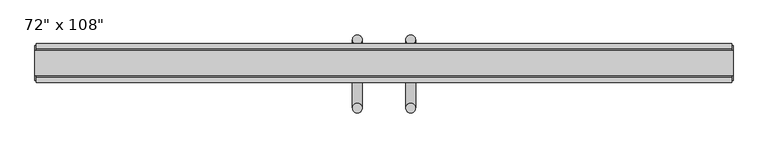
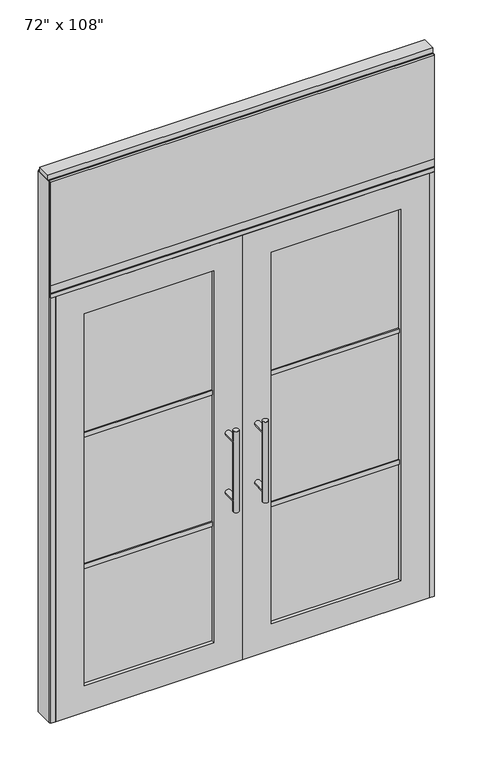
"""IFC4 building model written with IfcOpenShell, lengths in millimetres: furniture geometry."""

from ifc_helpers import new_model, si_unit, frame, origin, origin_with_axes, place, context, project, spatial, polyline, circle_curve, ellipse_curve, outline, extrude, source, transform, mapped, element, save
from ifc_brep_helpers import plane_surface, cylinder_surface, advanced_brep


def furniture_28c0030d(model_context):
    return source(origin(), model_context, "Body", "SolidModel", [
        extrude(outline(polyline([(850.4264771, 46.2822784), (850.4264771, 33.5822784), (-970.4995229, 33.5822784), (-970.4995229, 46.2822784), (850.4264771, 46.2822784)])), frame((0.0, 0.0, 2197.1), z_axis=(0.0, 0.0, 1.0), x_axis=(1.0, 0.0, 0.0)), (0.0, 0.0, 1.0), 520.7),
        extrude(outline(polyline([(850.4264771, -55.3177216), (-970.4995229, -55.3177216), (-970.4995229, -42.6177216), (850.4264771, -42.6177216), (850.4264771, -55.3177216)])), frame((0.0, 0.0, 2197.1), z_axis=(0.0, 0.0, 1.0), x_axis=(1.0, 0.0, 0.0)), (0.0, 0.0, 1.0), 520.7),
        advanced_brep(
        [(-117.3135229, 56.6962784, 1219.2), (-142.7135229, 56.6962784, 1219.2), (-117.3135229, 56.6962784, 812.8), (-142.7135229, 56.6962784, 812.8), (-117.3135229, 56.6962784, 1164.336), (-117.3135229, 56.6962784, 867.664), (-142.7135229, 56.6962784, 867.664), (-142.7135229, 56.6962784, 1164.336), (-117.3135229, -10.8677216, 1164.336), (-142.7135229, -10.8677216, 1164.336), (-117.3135229, -10.8677216, 867.664), (-142.7135229, -10.8677216, 867.664)],
        [
            (0, 1, circle_curve(frame((-130.0135229, 56.6962784, 1219.2), z_axis=(0.0, 0.0, 1.0), x_axis=(-1.0, 0.0, 0.0)), 12.7)),
            (1, 0, circle_curve(frame((-130.0135229, 56.6962784, 1219.2), z_axis=(0.0, 0.0, 1.0), x_axis=(-1.0, 0.0, 0.0)), 12.7)),
            (2, 3, circle_curve(frame((-130.0135229, 56.6962784, 812.8), z_axis=(0.0, 0.0, -1.0), x_axis=(-1.0, 0.0, 0.0)), 12.7)),
            (3, 2, circle_curve(frame((-130.0135229, 56.6962784, 812.8), z_axis=(0.0, 0.0, -1.0), x_axis=(-1.0, 0.0, 0.0)), 12.7)),
            (0, 4),
            (4, 5),
            (5, 2),
            (3, 6),
            (6, 7),
            (7, 1),
            (7, 4, ellipse_curve(frame((-130.0135229, 56.6962784, 1164.336), z_axis=(0.0, 0.707106781186565, 0.70710678118653), x_axis=(0.0, -0.70710678118653, 0.707106781186565)), 17.9605122, 12.7)),
            (5, 6, ellipse_curve(frame((-130.0135229, 56.6962784, 867.664), z_axis=(0.0, 0.70710678118653, -0.7071067811865649), x_axis=(0.0, 0.7071067811865648, 0.7071067811865301)), 17.9605122, 12.7)),
            (4, 7, ellipse_curve(frame((-130.0135229, 56.6962784, 1164.336), z_axis=(0.0, 0.70710678118653, -0.7071067811865649), x_axis=(0.0, 0.7071067811865648, 0.7071067811865301)), 17.9605122, 12.7)),
            (6, 5, ellipse_curve(frame((-130.0135229, 56.6962784, 867.664), z_axis=(0.0, 0.707106781186565, 0.70710678118653), x_axis=(0.0, -0.70710678118653, 0.707106781186565)), 17.9605122, 12.7)),
            (8, 9, circle_curve(frame((-130.0135229, -10.8677216, 1164.336), z_axis=(0.0, -1.0, 0.0), x_axis=(-1.0, 0.0, 0.0)), 12.7)),
            (9, 8, circle_curve(frame((-130.0135229, -10.8677216, 1164.336), z_axis=(0.0, -1.0, 0.0), x_axis=(-1.0, 0.0, 0.0)), 12.7)),
            (9, 7),
            (4, 8),
            (10, 11, circle_curve(frame((-130.0135229, -10.8677216, 867.664), z_axis=(0.0, -1.0, 0.0), x_axis=(-1.0, 0.0, 0.0)), 12.7)),
            (11, 10, circle_curve(frame((-130.0135229, -10.8677216, 867.664), z_axis=(0.0, -1.0, 0.0), x_axis=(-1.0, 0.0, 0.0)), 12.7)),
            (11, 6),
            (5, 10),
        ],
        [
            plane_surface(frame((-142.7135229, 56.6962784, 1219.2), z_axis=(0.0, 0.0, 1.0), x_axis=(0.0, -1.0, 0.0))),
            plane_surface(frame((-142.7135229, 56.6962784, 812.8), z_axis=(0.0, 0.0, -1.0), x_axis=(0.0, 1.0, 0.0))),
            cylinder_surface(frame((-130.0135229, 56.6962784, 812.8), z_axis=(0.0, 0.0, 1.0), x_axis=(-1.0, 0.0, 0.0)), 12.7),
            plane_surface(frame((-142.7135229, -10.8677216, 1164.336), z_axis=(0.0, -1.0, 0.0), x_axis=(0.0, 0.0, -1.0))),
            cylinder_surface(frame((-130.0135229, -10.8677216, 1164.336), z_axis=(0.0, 1.0, 0.0), x_axis=(-1.0, 0.0, 0.0)), 12.7),
            plane_surface(frame((-142.7135229, -10.8677216, 867.664), z_axis=(0.0, -1.0, 0.0), x_axis=(0.0, 0.0, -1.0))),
            cylinder_surface(frame((-130.0135229, -10.8677216, 867.664), z_axis=(0.0, 1.0, 0.0), x_axis=(-1.0, 0.0, 0.0)), 12.7),
        ],
        [
            (0, [[1, 2]]),
            (1, [[3, 4]]),
            (2, [[-1, 5, 6, 7, -4, 8, 9, 10]]),
            (2, [[-2, -10, 11, -5]]),
            (2, [[-3, -7, 12, -8]]),
            (2, [[13, -9, 14, -6]]),
            (3, [[15, 16]]),
            (4, [[-16, 17, -13, 18]]),
            (4, [[-15, -18, -11, -17]]),
            (5, [[19, 20]]),
            (6, [[-20, 21, -12, 22]]),
            (6, [[-19, -22, -14, -21]]),
        ],
    ),
        advanced_brep(
        [(-117.3135229, -122.8817216, 1219.2), (-142.7135229, -122.8817216, 1219.2), (-117.3135229, -122.8817216, 812.8), (-142.7135229, -122.8817216, 812.8), (-142.7135229, -122.8817216, 1164.336), (-142.7135229, -122.8817216, 867.664), (-117.3135229, -122.8817216, 867.664), (-117.3135229, -122.8817216, 1164.336), (-117.3135229, -55.3177216, 1164.336), (-142.7135229, -55.3177216, 1164.336), (-117.3135229, -55.3177216, 867.664), (-142.7135229, -55.3177216, 867.664)],
        [
            (0, 1, circle_curve(frame((-130.0135229, -122.8817216, 1219.2), z_axis=(0.0, 0.0, 1.0), x_axis=(-1.0, 0.0, 0.0)), 12.7)),
            (1, 0, circle_curve(frame((-130.0135229, -122.8817216, 1219.2), z_axis=(0.0, 0.0, 1.0), x_axis=(-1.0, 0.0, 0.0)), 12.7)),
            (2, 3, circle_curve(frame((-130.0135229, -122.8817216, 812.8), z_axis=(0.0, 0.0, -1.0), x_axis=(-1.0, 0.0, 0.0)), 12.7)),
            (3, 2, circle_curve(frame((-130.0135229, -122.8817216, 812.8), z_axis=(0.0, 0.0, -1.0), x_axis=(-1.0, 0.0, 0.0)), 12.7)),
            (1, 4),
            (4, 5),
            (5, 3),
            (2, 6),
            (6, 7),
            (7, 0),
            (6, 5, ellipse_curve(frame((-130.0135229, -122.8817216, 867.664), z_axis=(0.0, -0.707106781186565, 0.70710678118653), x_axis=(0.0, 0.70710678118653, 0.707106781186565)), 17.9605122, 12.7)),
            (4, 7, ellipse_curve(frame((-130.0135229, -122.8817216, 1164.336), z_axis=(0.0, -0.70710678118653, -0.7071067811865649), x_axis=(0.0, -0.7071067811865648, 0.7071067811865301)), 17.9605122, 12.7)),
            (7, 4, ellipse_curve(frame((-130.0135229, -122.8817216, 1164.336), z_axis=(0.0, -0.707106781186565, 0.70710678118653), x_axis=(0.0, 0.70710678118653, 0.707106781186565)), 17.9605122, 12.7)),
            (5, 6, ellipse_curve(frame((-130.0135229, -122.8817216, 867.664), z_axis=(0.0, -0.70710678118653, -0.7071067811865649), x_axis=(0.0, -0.7071067811865648, 0.7071067811865301)), 17.9605122, 12.7)),
            (8, 9, circle_curve(frame((-130.0135229, -55.3177216, 1164.336), z_axis=(0.0, 1.0, 0.0), x_axis=(-1.0, 0.0, 0.0)), 12.7)),
            (9, 8, circle_curve(frame((-130.0135229, -55.3177216, 1164.336), z_axis=(0.0, 1.0, 0.0), x_axis=(-1.0, 0.0, 0.0)), 12.7)),
            (8, 7),
            (4, 9),
            (10, 11, circle_curve(frame((-130.0135229, -55.3177216, 867.664), z_axis=(0.0, 1.0, 0.0), x_axis=(-1.0, 0.0, 0.0)), 12.7)),
            (11, 10, circle_curve(frame((-130.0135229, -55.3177216, 867.664), z_axis=(0.0, 1.0, 0.0), x_axis=(-1.0, 0.0, 0.0)), 12.7)),
            (10, 6),
            (5, 11),
        ],
        [
            plane_surface(frame((-142.7135229, -122.8817216, 1219.2), z_axis=(0.0, 0.0, 1.0), x_axis=(0.0, 1.0, 0.0))),
            plane_surface(frame((-142.7135229, -122.8817216, 812.8), z_axis=(0.0, 0.0, -1.0), x_axis=(0.0, -1.0, 0.0))),
            cylinder_surface(frame((-130.0135229, -122.8817216, 812.8), z_axis=(0.0, 0.0, 1.0), x_axis=(-1.0, 0.0, 0.0)), 12.7),
            plane_surface(frame((-142.7135229, -55.3177216, 1164.336), z_axis=(0.0, 1.0, 0.0), x_axis=(0.0, 0.0, -1.0))),
            cylinder_surface(frame((-130.0135229, -55.3177216, 1164.336), z_axis=(0.0, -1.0, 0.0), x_axis=(-1.0, 0.0, 0.0)), 12.7),
            plane_surface(frame((-142.7135229, -55.3177216, 867.664), z_axis=(0.0, 1.0, 0.0), x_axis=(0.0, 0.0, -1.0))),
            cylinder_surface(frame((-130.0135229, -55.3177216, 867.664), z_axis=(0.0, -1.0, 0.0), x_axis=(-1.0, 0.0, 0.0)), 12.7),
        ],
        [
            (0, [[1, 2]]),
            (1, [[3, 4]]),
            (2, [[5, 6, 7, -3, 8, 9, 10, -2]]),
            (2, [[-9, 11, -6, 12]]),
            (2, [[-10, 13, -5, -1]]),
            (2, [[-7, 14, -8, -4]]),
            (3, [[15, 16]]),
            (4, [[17, -12, 18, -15]]),
            (4, [[-18, -13, -17, -16]]),
            (5, [[19, 20]]),
            (6, [[21, -14, 22, -19]]),
            (6, [[-22, -11, -21, -20]]),
        ],
    ),
        extrude(outline(polyline([(-196.0535229, -44.2052216), (-812.2575229, -44.2052216), (-812.2575229, -21.9802216), (-196.0535229, -21.9802216), (-196.0535229, -44.2052216)])), frame((0.0, 0.0, 1371.6), z_axis=(0.0, 0.0, 1.0), x_axis=(1.0, 0.0, 0.0)), (0.0, 0.0, 1.0), 22.225),
        extrude(outline(polyline([(-196.0535229, -44.2052216), (-812.2575229, -44.2052216), (-812.2575229, -21.9802216), (-196.0535229, -21.9802216), (-196.0535229, -44.2052216)])), frame((0.0, 0.0, 711.2), z_axis=(0.0, 0.0, 1.0), x_axis=(1.0, 0.0, 0.0)), (0.0, 0.0, 1.0), 22.225),
        extrude(outline(polyline([(-812.2575229, -38.1727216), (-812.2575229, -28.0127216), (-196.0535229, -28.0127216), (-196.0535229, -38.1727216), (-812.2575229, -38.1727216)])), frame((0.0, 0.0, 132.969), z_axis=(0.0, 0.0, 1.0), x_axis=(1.0, 0.0, 0.0)), (0.0, 0.0, 1.0), 1867.662),
        extrude(outline(polyline([(2133.6, -948.2745229), (0.0, -948.2745229), (0.0, -60.0365229), (2133.6, -60.0365229), (2133.6, -948.2745229)]), holes=[polyline([(2000.631, -812.2575229), (2000.631, -196.0535229), (132.969, -196.0535229), (132.969, -812.2575229), (2000.631, -812.2575229)])]), frame((0.0, -55.3177216, 0.0), z_axis=(0.0, 1.0, 0.0), x_axis=(0.0, 0.0, 1.0)), (0.0, 0.0, 1.0), 44.45),
        advanced_brep(
        [(-2.7595229, 56.6962784, 1219.2), (22.6404771, 56.6962784, 1219.2), (-2.7595229, 56.6962784, 812.8), (22.6404771, 56.6962784, 812.8), (22.6404771, 56.6962784, 1164.336), (22.6404771, 56.6962784, 867.664), (-2.7595229, 56.6962784, 867.664), (-2.7595229, 56.6962784, 1164.336), (-2.7595229, -10.8677216, 1164.336), (22.6404771, -10.8677216, 1164.336), (-2.7595229, -10.8677216, 867.664), (22.6404771, -10.8677216, 867.664)],
        [
            (0, 1, circle_curve(frame((9.9404771, 56.6962784, 1219.2), z_axis=(0.0, 0.0, 1.0), x_axis=(1.0, 0.0, 0.0)), 12.7)),
            (1, 0, circle_curve(frame((9.9404771, 56.6962784, 1219.2), z_axis=(0.0, 0.0, 1.0), x_axis=(1.0, 0.0, 0.0)), 12.7)),
            (2, 3, circle_curve(frame((9.9404771, 56.6962784, 812.8), z_axis=(0.0, 0.0, -1.0), x_axis=(1.0, 0.0, 0.0)), 12.7)),
            (3, 2, circle_curve(frame((9.9404771, 56.6962784, 812.8), z_axis=(0.0, 0.0, -1.0), x_axis=(1.0, 0.0, 0.0)), 12.7)),
            (1, 4),
            (4, 5),
            (5, 3),
            (2, 6),
            (6, 7),
            (7, 0),
            (6, 5, ellipse_curve(frame((9.9404771, 56.6962784, 867.664), z_axis=(0.0, 0.707106781186565, 0.70710678118653), x_axis=(0.0, -0.70710678118653, 0.707106781186565)), 17.9605122, 12.7)),
            (4, 7, ellipse_curve(frame((9.9404771, 56.6962784, 1164.336), z_axis=(0.0, 0.70710678118653, -0.7071067811865649), x_axis=(0.0, 0.7071067811865648, 0.7071067811865301)), 17.9605122, 12.7)),
            (7, 4, ellipse_curve(frame((9.9404771, 56.6962784, 1164.336), z_axis=(0.0, 0.707106781186565, 0.70710678118653), x_axis=(0.0, -0.70710678118653, 0.707106781186565)), 17.9605122, 12.7)),
            (5, 6, ellipse_curve(frame((9.9404771, 56.6962784, 867.664), z_axis=(0.0, 0.70710678118653, -0.7071067811865649), x_axis=(0.0, 0.7071067811865648, 0.7071067811865301)), 17.9605122, 12.7)),
            (8, 9, circle_curve(frame((9.9404771, -10.8677216, 1164.336), z_axis=(0.0, -1.0, 0.0), x_axis=(1.0, 0.0, 0.0)), 12.7)),
            (9, 8, circle_curve(frame((9.9404771, -10.8677216, 1164.336), z_axis=(0.0, -1.0, 0.0), x_axis=(1.0, 0.0, 0.0)), 12.7)),
            (8, 7),
            (4, 9),
            (10, 11, circle_curve(frame((9.9404771, -10.8677216, 867.664), z_axis=(0.0, -1.0, 0.0), x_axis=(1.0, 0.0, 0.0)), 12.7)),
            (11, 10, circle_curve(frame((9.9404771, -10.8677216, 867.664), z_axis=(0.0, -1.0, 0.0), x_axis=(1.0, 0.0, 0.0)), 12.7)),
            (10, 6),
            (5, 11),
        ],
        [
            plane_surface(frame((22.6404771, 56.6962784, 1219.2), z_axis=(0.0, 0.0, 1.0), x_axis=(0.0, -1.0, 0.0))),
            plane_surface(frame((22.6404771, 56.6962784, 812.8), z_axis=(0.0, 0.0, -1.0), x_axis=(0.0, 1.0, 0.0))),
            cylinder_surface(frame((9.9404771, 56.6962784, 812.8), z_axis=(0.0, 0.0, 1.0), x_axis=(1.0, 0.0, 0.0)), 12.7),
            plane_surface(frame((22.6404771, -10.8677216, 1164.336), z_axis=(0.0, -1.0, 0.0), x_axis=(0.0, 0.0, -1.0))),
            cylinder_surface(frame((9.9404771, -10.8677216, 1164.336), z_axis=(0.0, 1.0, 0.0), x_axis=(1.0, 0.0, 0.0)), 12.7),
            plane_surface(frame((22.6404771, -10.8677216, 867.664), z_axis=(0.0, -1.0, 0.0), x_axis=(0.0, 0.0, -1.0))),
            cylinder_surface(frame((9.9404771, -10.8677216, 867.664), z_axis=(0.0, 1.0, 0.0), x_axis=(1.0, 0.0, 0.0)), 12.7),
        ],
        [
            (0, [[1, 2]]),
            (1, [[3, 4]]),
            (2, [[5, 6, 7, -3, 8, 9, 10, -2]]),
            (2, [[-9, 11, -6, 12]]),
            (2, [[-10, 13, -5, -1]]),
            (2, [[-7, 14, -8, -4]]),
            (3, [[15, 16]]),
            (4, [[17, -12, 18, -15]]),
            (4, [[-18, -13, -17, -16]]),
            (5, [[19, 20]]),
            (6, [[21, -14, 22, -19]]),
            (6, [[-22, -11, -21, -20]]),
        ],
    ),
        advanced_brep(
        [(-2.7595229, -122.8817216, 1219.2), (22.6404771, -122.8817216, 1219.2), (-2.7595229, -122.8817216, 812.8), (22.6404771, -122.8817216, 812.8), (-2.7595229, -122.8817216, 1164.336), (-2.7595229, -122.8817216, 867.664), (22.6404771, -122.8817216, 867.664), (22.6404771, -122.8817216, 1164.336), (-2.7595229, -55.3177216, 1164.336), (22.6404771, -55.3177216, 1164.336), (-2.7595229, -55.3177216, 867.664), (22.6404771, -55.3177216, 867.664)],
        [
            (0, 1, circle_curve(frame((9.9404771, -122.8817216, 1219.2), z_axis=(0.0, 0.0, 1.0), x_axis=(1.0, 0.0, 0.0)), 12.7)),
            (1, 0, circle_curve(frame((9.9404771, -122.8817216, 1219.2), z_axis=(0.0, 0.0, 1.0), x_axis=(1.0, 0.0, 0.0)), 12.7)),
            (2, 3, circle_curve(frame((9.9404771, -122.8817216, 812.8), z_axis=(0.0, 0.0, -1.0), x_axis=(1.0, 0.0, 0.0)), 12.7)),
            (3, 2, circle_curve(frame((9.9404771, -122.8817216, 812.8), z_axis=(0.0, 0.0, -1.0), x_axis=(1.0, 0.0, 0.0)), 12.7)),
            (0, 4),
            (4, 5),
            (5, 2),
            (3, 6),
            (6, 7),
            (7, 1),
            (7, 4, ellipse_curve(frame((9.9404771, -122.8817216, 1164.336), z_axis=(0.0, -0.707106781186565, 0.70710678118653), x_axis=(0.0, 0.70710678118653, 0.707106781186565)), 17.9605122, 12.7)),
            (5, 6, ellipse_curve(frame((9.9404771, -122.8817216, 867.664), z_axis=(0.0, -0.70710678118653, -0.7071067811865649), x_axis=(0.0, -0.7071067811865648, 0.7071067811865301)), 17.9605122, 12.7)),
            (4, 7, ellipse_curve(frame((9.9404771, -122.8817216, 1164.336), z_axis=(0.0, -0.70710678118653, -0.7071067811865649), x_axis=(0.0, -0.7071067811865648, 0.7071067811865301)), 17.9605122, 12.7)),
            (6, 5, ellipse_curve(frame((9.9404771, -122.8817216, 867.664), z_axis=(0.0, -0.707106781186565, 0.70710678118653), x_axis=(0.0, 0.70710678118653, 0.707106781186565)), 17.9605122, 12.7)),
            (8, 9, circle_curve(frame((9.9404771, -55.3177216, 1164.336), z_axis=(0.0, 1.0, 0.0), x_axis=(1.0, 0.0, 0.0)), 12.7)),
            (9, 8, circle_curve(frame((9.9404771, -55.3177216, 1164.336), z_axis=(0.0, 1.0, 0.0), x_axis=(1.0, 0.0, 0.0)), 12.7)),
            (9, 7),
            (4, 8),
            (10, 11, circle_curve(frame((9.9404771, -55.3177216, 867.664), z_axis=(0.0, 1.0, 0.0), x_axis=(1.0, 0.0, 0.0)), 12.7)),
            (11, 10, circle_curve(frame((9.9404771, -55.3177216, 867.664), z_axis=(0.0, 1.0, 0.0), x_axis=(1.0, 0.0, 0.0)), 12.7)),
            (11, 6),
            (5, 10),
        ],
        [
            plane_surface(frame((22.6404771, -122.8817216, 1219.2), z_axis=(0.0, 0.0, 1.0), x_axis=(0.0, 1.0, 0.0))),
            plane_surface(frame((22.6404771, -122.8817216, 812.8), z_axis=(0.0, 0.0, -1.0), x_axis=(0.0, -1.0, 0.0))),
            cylinder_surface(frame((9.9404771, -122.8817216, 812.8), z_axis=(0.0, 0.0, 1.0), x_axis=(1.0, 0.0, 0.0)), 12.7),
            plane_surface(frame((22.6404771, -55.3177216, 1164.336), z_axis=(0.0, 1.0, 0.0), x_axis=(0.0, 0.0, -1.0))),
            cylinder_surface(frame((9.9404771, -55.3177216, 1164.336), z_axis=(0.0, -1.0, 0.0), x_axis=(1.0, 0.0, 0.0)), 12.7),
            plane_surface(frame((22.6404771, -55.3177216, 867.664), z_axis=(0.0, 1.0, 0.0), x_axis=(0.0, 0.0, -1.0))),
            cylinder_surface(frame((9.9404771, -55.3177216, 867.664), z_axis=(0.0, -1.0, 0.0), x_axis=(1.0, 0.0, 0.0)), 12.7),
        ],
        [
            (0, [[1, 2]]),
            (1, [[3, 4]]),
            (2, [[-1, 5, 6, 7, -4, 8, 9, 10]]),
            (2, [[-2, -10, 11, -5]]),
            (2, [[-3, -7, 12, -8]]),
            (2, [[13, -9, 14, -6]]),
            (3, [[15, 16]]),
            (4, [[-16, 17, -13, 18]]),
            (4, [[-15, -18, -11, -17]]),
            (5, [[19, 20]]),
            (6, [[-20, 21, -12, 22]]),
            (6, [[-19, -22, -14, -21]]),
        ],
    ),
        extrude(outline(polyline([(75.9804771, -44.2052216), (75.9804771, -21.9802216), (692.1844771, -21.9802216), (692.1844771, -44.2052216), (75.9804771, -44.2052216)])), frame((0.0, 0.0, 1371.6), z_axis=(0.0, 0.0, 1.0), x_axis=(1.0, 0.0, 0.0)), (0.0, 0.0, 1.0), 22.225),
        extrude(outline(polyline([(75.9804771, -44.2052216), (75.9804771, -21.9802216), (692.1844771, -21.9802216), (692.1844771, -44.2052216), (75.9804771, -44.2052216)])), frame((0.0, 0.0, 711.2), z_axis=(0.0, 0.0, 1.0), x_axis=(1.0, 0.0, 0.0)), (0.0, 0.0, 1.0), 22.225),
        extrude(outline(polyline([(692.1844771, -38.1727216), (75.9804771, -38.1727216), (75.9804771, -28.0127216), (692.1844771, -28.0127216), (692.1844771, -38.1727216)])), frame((0.0, 0.0, 132.969), z_axis=(0.0, 0.0, 1.0), x_axis=(1.0, 0.0, 0.0)), (0.0, 0.0, 1.0), 1867.662),
        extrude(outline(polyline([(2133.6, 828.2014771), (2133.6, -60.0365229), (0.0, -60.0365229), (0.0, 828.2014771), (2133.6, 828.2014771)]), holes=[polyline([(2000.631, 692.1844771), (132.969, 692.1844771), (132.969, 75.9804771), (2000.631, 75.9804771), (2000.631, 692.1844771)])]), frame((0.0, -55.3177216, 0.0), z_axis=(0.0, 1.0, 0.0), x_axis=(0.0, 0.0, 1.0)), (0.0, 0.0, 1.0), 44.45),
        extrude(outline(polyline([(-42.6177216, 2681.478), (-42.6177216, 2717.8), (33.5822784, 2717.8), (33.5822784, 2681.478), (28.6292784, 2681.478), (28.6292784, 2676.525), (-37.6647216, 2676.525), (-37.6647216, 2681.478), (-42.6177216, 2681.478)])), frame((-970.4995229, 0.0, 0.0), z_axis=(1.0, 0.0, 0.0), x_axis=(0.0, 1.0, 0.0)), (0.0, 0.0, 1.0), 1820.926),
        extrude(outline(polyline([(-970.4995229, -55.3177216), (-970.4995229, 46.2822784), (850.4264771, 46.2822784), (850.4264771, -55.3177216), (-970.4995229, -55.3177216)])), frame((0.0, 0.0, 2133.6), z_axis=(0.0, 0.0, 1.0), x_axis=(1.0, 0.0, 0.0)), (0.0, 0.0, 1.0), 22.225),
        extrude(outline(polyline([(-55.3177216, 2160.778), (-55.3177216, 2197.1), (46.2822784, 2197.1), (46.2822784, 2160.778), (41.3292784, 2160.778), (41.3292784, 2155.825), (-50.3647216, 2155.825), (-50.3647216, 2160.778), (-55.3177216, 2160.778)])), frame((-970.4995229, 0.0, 0.0), z_axis=(1.0, 0.0, 0.0), x_axis=(0.0, 1.0, 0.0)), (0.0, 0.0, 1.0), 1820.926),
        extrude(outline(polyline([(854.3634771, -50.3647216), (850.4264771, -50.3647216), (850.4264771, 41.3292784), (854.3634771, 41.3292784), (854.3634771, -50.3647216)])), origin_with_axes(), (0.0, 0.0, 1.0), 2717.8),
        extrude(outline(polyline([(-974.4365229, -50.3647216), (-974.4365229, 41.3292784), (-970.4995229, 41.3292784), (-970.4995229, -50.3647216), (-974.4365229, -50.3647216)])), origin_with_axes(), (0.0, 0.0, 1.0), 2717.8),
        extrude(outline(polyline([(828.2014771, -55.3177216), (828.2014771, 46.2822784), (850.4264771, 46.2822784), (850.4264771, -55.3177216), (828.2014771, -55.3177216)])), origin_with_axes(), (0.0, 0.0, 1.0), 2133.6),
        extrude(outline(polyline([(-948.2745229, -55.3177216), (-970.4995229, -55.3177216), (-970.4995229, 46.2822784), (-948.2745229, 46.2822784), (-948.2745229, -55.3177216)])), origin_with_axes(), (0.0, 0.0, 1.0), 2133.6),
        extrude(outline(polyline([(-974.4365229, -37.0297216), (-974.4365229, 27.9942784), (854.3634771, 27.9942784), (854.3634771, -37.0297216), (-974.4365229, -37.0297216)])), frame((0.0, 0.0, 2717.8), z_axis=(0.0, 0.0, 1.0), x_axis=(1.0, 0.0, 0.0)), (0.0, 0.0, 1.0), 25.4),
    ])


if __name__ == "__main__":
    model = new_model("IFC4")
    model_context = context("Model", 3, world=origin())
    ifc_project = project(units=[si_unit("LENGTHUNIT", "METRE", prefix="MILLI")], contexts=[model_context])
    site = spatial("IfcSite", under=ifc_project)
    building = spatial("IfcBuilding", under=site)
    placement = place(None, origin())
    furniture_shape = furniture_28c0030d(model_context)
    element("IfcFurniture", 1, ObjectType="72\" x 108\"", at=placement, inside=building, context=model_context, shape_type="MappedRepresentation", body=[
        mapped(furniture_shape, transform((0.0, 0.0, 0.0), x_axis=(1.0, 0.0, 0.0), y_axis=(0.0, 1.0, 0.0), z_axis=(0.0, 0.0, 1.0))),
    ])
    save(model, "model.ifc")
